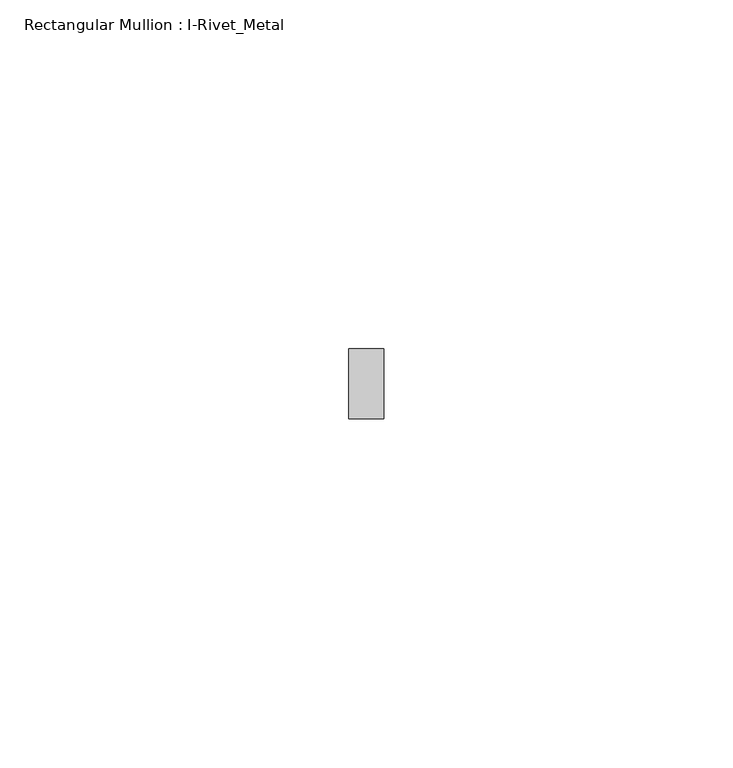
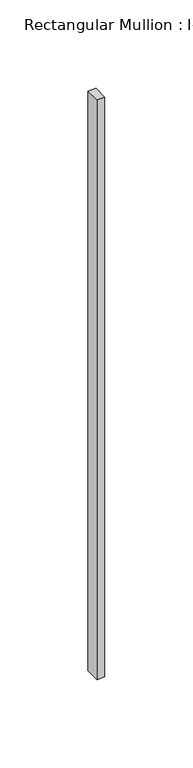
"""IFC4 building model written with IfcOpenShell, lengths in millimetres: member geometry, Rectangular Mullion : I-Rivet_Metal."""

from ifc_helpers import new_model, si_unit, frame, origin, place, context, project, spatial, polyline, outline, extrude, source, transform, mapped, element, save


def rectangular_mullion_i_rivet_metal_81ccc65b(model_context):
    return source(origin(), model_context, "Body", "SweptSolid", [
        extrude(outline(polyline([(2.5, 70.0), (-2.5, 70.0), (-2.5, 80.0), (2.5, 80.0), (2.5, 70.0)])), frame((0.0, 0.0, -400.0), z_axis=(0.0, 0.0, 1.0), x_axis=(1.0, 0.0, 0.0)), (0.0, 0.0, 1.0), 400.0),
    ])


if __name__ == "__main__":
    model = new_model("IFC4")
    model_context = context("Model", 3, world=origin())
    ifc_project = project(units=[si_unit("LENGTHUNIT", "METRE", prefix="MILLI")], contexts=[model_context])
    site = spatial("IfcSite", under=ifc_project)
    building = spatial("IfcBuilding", under=site)
    placement = place(None, origin())
    rectangular_mullion_i_rivet_metal_shape = rectangular_mullion_i_rivet_metal_81ccc65b(model_context)
    element("IfcMember", 1, ObjectType="Rectangular Mullion : I-Rivet_Metal", at=placement, inside=building, context=model_context, shape_type="MappedRepresentation", body=[
        mapped(rectangular_mullion_i_rivet_metal_shape, transform((0.0, 0.0, 0.0), x_axis=(1.0, 0.0, 0.0), y_axis=(0.0, 1.0, 0.0), z_axis=(0.0, 0.0, 1.0))),
    ])
    save(model, "model.ifc")
